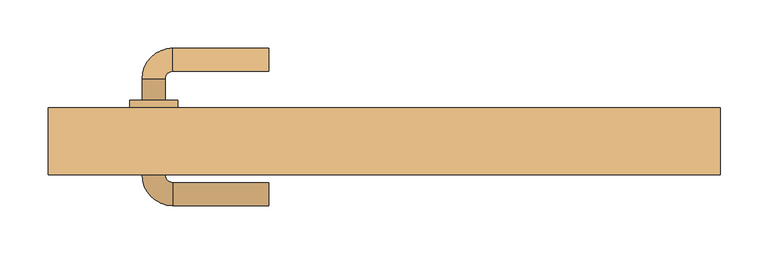
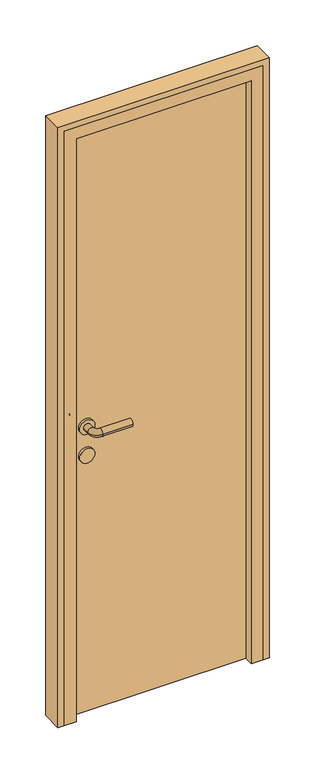
"""IFC4 building model written with IfcOpenShell, lengths in millimetres: door geometry."""

from ifc_helpers import new_model, si_unit, point, frame, frame_2d, origin, origin_with_axes, place, context, project, spatial, polyline, circle_curve, ellipse_curve, trimmed, segment, composite_curve, outline, extrude, faceted_brep, source, transform, mapped, element, save
from ifc_brep_helpers import plane_surface, cylinder_surface, revolved_surface, advanced_brep


def door_2db082a8(model_context):
    return source(origin(), model_context, "Body", "SolidModel", [
        advanced_brep(
        [(-120.0, 122.0, 1000.0), (-120.0, 98.0, 1000.0), (-220.0, 122.0, 1000.0), (-220.0, 98.0, 1000.0), (-252.0, 90.0, 1000.0), (-228.0, 90.0, 1000.0), (-252.0, 68.0, 1000.0), (-228.0, 68.0, 1000.0), (-252.0, -10.0, 1000.0), (-228.0, -10.0, 1000.0), (-228.0, 12.0, 1000.0), (-252.0, 12.0, 1000.0), (-220.0, -42.0, 1000.0), (-220.0, -18.0, 1000.0), (-120.0, -42.0, 1000.0), (-120.0, -18.0, 1000.0), (-265.0, 68.0, 1000.0), (-215.0, 68.0, 1000.0), (-265.0, 12.0, 1000.0), (-215.0, 12.0, 1000.0)],
        [
            (0, 1, circle_curve(frame((-120.0, 110.0, 1000.0), z_axis=(1.0, 0.0, 0.0), x_axis=(0.0, -1.0, 0.0)), 12.0)),
            (1, 0, circle_curve(frame((-120.0, 110.0, 1000.0), z_axis=(1.0, 0.0, 0.0), x_axis=(0.0, -1.0, 0.0)), 12.0)),
            (0, 2),
            (2, 3, circle_curve(frame((-220.0, 110.0, 1000.0), z_axis=(1.0, 0.0, 0.0), x_axis=(0.0, -1.0, 0.0)), 12.0)),
            (3, 1),
            (3, 2, circle_curve(frame((-220.0, 110.0, 1000.0), z_axis=(1.0, 0.0, 0.0), x_axis=(0.0, -1.0, 0.0)), 12.0)),
            (2, 4, circle_curve(frame((-220.0, 90.0, 1000.0), z_axis=(0.0, 0.0, 1.0), x_axis=(0.0, 1.0, 0.0)), 32.0)),
            (4, 5, circle_curve(frame((-240.0, 90.0, 1000.0), z_axis=(0.0, 1.0, 0.0), x_axis=(1.0, 0.0, 0.0)), 12.0)),
            (5, 3, circle_curve(frame((-220.0, 90.0, 1000.0), z_axis=(0.0, 0.0, -1.0), x_axis=(0.0, 1.0, 0.0)), 8.0)),
            (5, 4, circle_curve(frame((-240.0, 90.0, 1000.0), z_axis=(0.0, 1.0, 0.0), x_axis=(1.0, 0.0, 0.0)), 12.0)),
            (4, 6),
            (6, 7, circle_curve(frame((-240.0, 68.0, 1000.0), z_axis=(0.0, 1.0, 0.0), x_axis=(1.0, 0.0, 0.0)), 12.0)),
            (7, 5),
            (8, 9, circle_curve(frame((-240.0, -10.0, 1000.0), z_axis=(0.0, 1.0, 0.0), x_axis=(1.0, 0.0, 0.0)), 12.0)),
            (9, 10),
            (10, 11, circle_curve(frame((-240.0, 12.0, 1000.0), z_axis=(0.0, -1.0, 0.0), x_axis=(1.0, 0.0, 0.0)), 12.0)),
            (11, 8),
            (7, 6, circle_curve(frame((-240.0, 68.0, 1000.0), z_axis=(0.0, 1.0, 0.0), x_axis=(1.0, 0.0, 0.0)), 12.0)),
            (9, 8, circle_curve(frame((-240.0, -10.0, 1000.0), z_axis=(0.0, 1.0, 0.0), x_axis=(1.0, 0.0, 0.0)), 12.0)),
            (11, 10, circle_curve(frame((-240.0, 12.0, 1000.0), z_axis=(0.0, -1.0, 0.0), x_axis=(1.0, 0.0, 0.0)), 12.0)),
            (8, 12, circle_curve(frame((-220.0, -10.0, 1000.0), z_axis=(0.0, 0.0, 1.0), x_axis=(-1.0, 0.0, 0.0)), 32.0)),
            (12, 13, circle_curve(frame((-220.0, -30.0, 1000.0), z_axis=(-1.0, 0.0, 0.0), x_axis=(0.0, 1.0, 0.0)), 12.0)),
            (13, 9, circle_curve(frame((-220.0, -10.0, 1000.0), z_axis=(0.0, 0.0, -1.0), x_axis=(-1.0, 0.0, 0.0)), 8.0)),
            (13, 12, circle_curve(frame((-220.0, -30.0, 1000.0), z_axis=(-1.0, 0.0, 0.0), x_axis=(0.0, 1.0, 0.0)), 12.0)),
            (14, 15, circle_curve(frame((-120.0, -30.0, 1000.0), z_axis=(1.0, 0.0, 0.0), x_axis=(0.0, 1.0, 0.0)), 12.0)),
            (15, 14, circle_curve(frame((-120.0, -30.0, 1000.0), z_axis=(1.0, 0.0, 0.0), x_axis=(0.0, 1.0, 0.0)), 12.0)),
            (12, 14),
            (15, 13),
            (16, 17, circle_curve(frame((-240.0, 68.0, 1000.0), z_axis=(0.0, 1.0, 0.0), x_axis=(1.0, 0.0, 0.0)), 25.0)),
            (17, 16, circle_curve(frame((-240.0, 68.0, 1000.0), z_axis=(0.0, 1.0, 0.0), x_axis=(1.0, 0.0, 0.0)), 25.0)),
            (18, 19, circle_curve(frame((-240.0, 12.0, 1000.0), z_axis=(0.0, -1.0, 0.0), x_axis=(1.0, 0.0, 0.0)), 25.0)),
            (19, 18, circle_curve(frame((-240.0, 12.0, 1000.0), z_axis=(0.0, -1.0, 0.0), x_axis=(1.0, 0.0, 0.0)), 25.0)),
            (17, 19),
            (18, 16),
        ],
        [
            plane_surface(frame((-120.0, 110.0, 1000.0), z_axis=(1.0, 0.0, 0.0), x_axis=(0.0, 0.0, 1.0))),
            cylinder_surface(frame((-120.0, 110.0, 1000.0), z_axis=(1.0, 0.0, 0.0), x_axis=(0.0, -1.0, 0.0)), 12.0),
            revolved_surface(trimmed(ellipse_curve(frame((-220.0, 110.0, 1000.0), z_axis=(1.0, 0.0, 0.0), x_axis=(0.0, -1.0, 0.0)), 12.0, 12.0), [point((-220.0, 122.0, 1000.0))], [point((-220.0, 98.0, 1000.0))], True, "CARTESIAN"), (-220.0, 90.0, 1000.0), (0.0, 0.0, 1.0)),
            revolved_surface(trimmed(ellipse_curve(frame((-220.0, 110.0, 1000.0), z_axis=(1.0, 0.0, 0.0), x_axis=(0.0, -1.0, 0.0)), 12.0, 12.0), [point((-220.0, 98.0, 1000.0))], [point((-220.0, 122.0, 1000.0))], True, "CARTESIAN"), (-220.0, 90.0, 1000.0), (0.0, 0.0, 1.0)),
            cylinder_surface(frame((-240.0, 90.0, 1000.0), z_axis=(0.0, 1.0, 0.0), x_axis=(1.0, 0.0, 0.0)), 12.0),
            revolved_surface(trimmed(ellipse_curve(frame((-240.0, -10.0, 1000.0), z_axis=(0.0, 1.0, 0.0), x_axis=(1.0, 0.0, 0.0)), 12.0, 12.0), [point((-252.0, -10.0, 1000.0))], [point((-228.0, -10.0, 1000.0))], True, "CARTESIAN"), (-220.0, -10.0, 1000.0), (0.0, 0.0, 1.0)),
            revolved_surface(trimmed(ellipse_curve(frame((-240.0, -10.0, 1000.0), z_axis=(0.0, 1.0, 0.0), x_axis=(1.0, 0.0, 0.0)), 12.0, 12.0), [point((-228.0, -10.0, 1000.0))], [point((-252.0, -10.0, 1000.0))], True, "CARTESIAN"), (-220.0, -10.0, 1000.0), (0.0, 0.0, 1.0)),
            plane_surface(frame((-120.0, -30.0, 1000.0), z_axis=(1.0, 0.0, 0.0), x_axis=(0.0, 0.0, 1.0))),
            cylinder_surface(frame((-220.0, -30.0, 1000.0), z_axis=(-1.0, 0.0, 0.0), x_axis=(0.0, 1.0, 0.0)), 12.0),
            plane_surface(frame((-215.0, 68.0, 1000.0), z_axis=(0.0, 1.0, 0.0), x_axis=(0.0, 0.0, -1.0))),
            plane_surface(frame((-215.0, 12.0, 1000.0), z_axis=(0.0, -1.0, 0.0), x_axis=(0.0, 0.0, 1.0))),
            cylinder_surface(frame((-240.0, 68.0, 1000.0), z_axis=(0.0, -1.0, 0.0), x_axis=(1.0, 0.0, 0.0)), 25.0),
        ],
        [
            (0, [[1, 2]]),
            (1, [[-1, 3, 4, 5]]),
            (1, [[-2, -5, 6, -3]]),
            (2, [[-4, 7, 8, 9]]),
            (3, [[-6, -9, 10, -7]]),
            (4, [[-8, 11, 12, 13]]),
            (4, [[14, 15, 16, 17]]),
            (4, [[-10, -13, 18, -11]]),
            (4, [[19, -17, 20, -15]]),
            (5, [[-14, 21, 22, 23]]),
            (6, [[-19, -23, 24, -21]]),
            (7, [[25, 26]]),
            (8, [[-22, 27, -26, 28]]),
            (8, [[-24, -28, -25, -27]]),
            (9, [[29, 30], [-12, -18]]),
            (10, [[31, 32], [-16, -20]]),
            (11, [[-30, 33, -31, 34]]),
            (11, [[-29, -34, -32, -33]]),
        ],
    ),
        extrude(outline(composite_curve([segment(trimmed(circle_curve(frame_2d((900.0, -240.0)), 25.0), [point((900.0, -265.0))], [point((900.0, -215.0))], False, "CARTESIAN"), True, "CONTINUOUS"), segment(trimmed(circle_curve(frame_2d((900.0, -240.0)), 25.0), [point((900.0, -215.0))], [point((900.0, -265.0))], False, "CARTESIAN"), True, "CONTINUOUS")], self_intersect=False)), frame((0.0, 12.0, 0.0), z_axis=(0.0, 1.0, 0.0), x_axis=(0.0, 0.0, 1.0)), (0.0, 0.0, 1.0), 56.0),
        extrude(outline(polyline([(300.0, 20.0), (-300.0, 20.0), (-300.0, 60.0), (300.0, 60.0), (300.0, 20.0)])), origin_with_axes(), (0.0, 0.0, 1.0), 2050.0),
        extrude(outline(polyline([(0.0, 350.0), (2100.0, 350.0), (2100.0, -350.0), (0.0, -350.0), (0.0, -330.0), (2080.0, -330.0), (2080.0, 330.0), (0.0, 330.0), (0.0, 350.0)])), frame((0.0, -10.0, 0.0), z_axis=(0.0, 1.0, 0.0), x_axis=(0.0, 0.0, 1.0)), (0.0, 0.0, 1.0), 70.0),
        faceted_brep([(-330.0, -10.0, 0.0), (-330.0, 60.0, 0.0), (-300.0, 60.0, 0.0), (-300.0, 20.0, 0.0), (-290.0, 20.0, 0.0), (-290.0, -10.0, 0.0), (-330.0, -10.0, 2080.0), (-330.0, 60.0, 2080.0), (330.0, 60.0, 2080.0), (330.0, 60.0, 0.0), (300.0, 60.0, 0.0), (300.0, 60.0, 2050.0), (-300.0, 60.0, 2050.0), (-300.0, 20.0, 2050.0), (300.0, 20.0, 2050.0), (300.0, 20.0, 0.0), (290.0, 20.0, 0.0), (290.0, 20.0, 2040.0), (-290.0, 20.0, 2040.0), (-290.0, -10.0, 2040.0), (290.0, -10.0, 2040.0), (290.0, -10.0, 0.0), (330.0, -10.0, 0.0), (330.0, -10.0, 2080.0)], [[[0, 1, 2, 3, 4, 5]], [[1, 0, 6, 7]], [[2, 1, 7, 8, 9, 10, 11, 12]], [[3, 2, 12, 13]], [[4, 3, 13, 14, 15, 16, 17, 18]], [[5, 4, 18, 19]], [[0, 5, 19, 20, 21, 22, 23, 6]], [[7, 6, 23, 8]], [[13, 12, 11, 14]], [[19, 18, 17, 20]], [[22, 21, 16, 15, 10, 9]], [[8, 23, 22, 9]], [[14, 11, 10, 15]], [[20, 17, 16, 21]]]),
    ])


if __name__ == "__main__":
    model = new_model("IFC4")
    model_context = context("Model", 3, world=origin())
    ifc_project = project(units=[si_unit("LENGTHUNIT", "METRE", prefix="MILLI")], contexts=[model_context])
    site = spatial("IfcSite", under=ifc_project)
    building = spatial("IfcBuilding", under=site)
    placement = place(None, origin())
    door_shape = door_2db082a8(model_context)
    element("IfcDoor", 1, at=placement, inside=building, context=model_context, shape_type="MappedRepresentation", body=[
        mapped(door_shape, transform((0.0, 0.0, 0.0), x_axis=(1.0, 0.0, 0.0), y_axis=(0.0, 1.0, 0.0), z_axis=(0.0, 0.0, 1.0))),
    ])
    save(model, "model.ifc")
